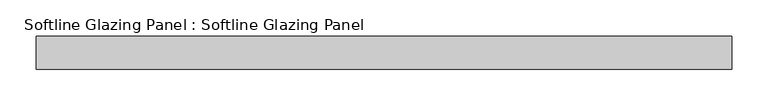
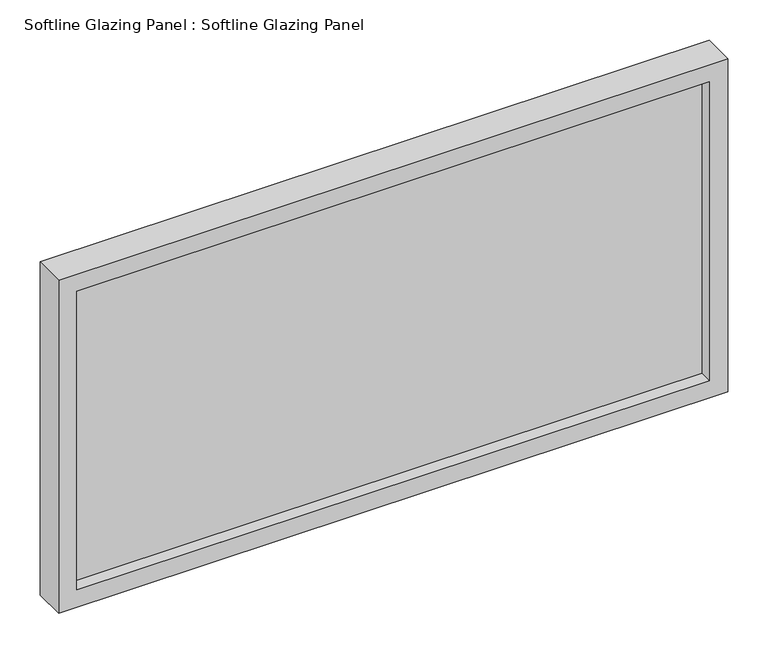
"""IFC4 building model written with IfcOpenShell, lengths in millimetres: plate geometry, Softline Glazing Panel : Softline Glazing Panel."""

from ifc_helpers import new_model, si_unit, frame, origin, place, context, project, spatial, polyline, outline, extrude, faceted_brep, source, transform, mapped, element, save


def softline_glazing_panel_softline_glazing_panel_6ffdb048(model_context):
    return source(origin(), model_context, "Body", "SolidModel", [
        extrude(outline(polyline([(461.0, 4.0), (461.0, -4.0), (-461.0, -4.0), (-461.0, 4.0), (461.0, 4.0)])), frame((0.0, 0.0, 16.0), z_axis=(0.0, 0.0, 1.0), x_axis=(1.0, 0.0, 0.0)), (0.0, 0.0, 1.0), 470.404515),
        faceted_brep([(451.0, 4.0, 26.0), (451.0, 22.5, 26.0), (-451.0, 22.5, 26.0), (-451.0, 4.0, 26.0), (461.0, -4.0, 16.0), (461.0, 4.0, 16.0), (-461.0, 4.0, 16.0), (-461.0, -4.0, 16.0), (451.0, -22.5, 26.0), (451.0, -4.0, 26.0), (-451.0, -4.0, 26.0), (-451.0, -22.5, 26.0), (477.0, 22.5, 0.0), (477.0, -22.5, 0.0), (-477.0, -22.5, 0.0), (-477.0, 22.5, 0.0), (-451.0, 22.5, 476.404515), (-451.0, 4.0, 476.404515), (-461.0, 4.0, 486.404515), (-461.0, -4.0, 486.404515), (-451.0, -4.0, 476.404515), (-451.0, -22.5, 476.404515), (-477.0, -22.5, 502.404515), (-477.0, 22.5, 502.404515), (451.0, 22.5, 476.404515), (451.0, 4.0, 476.404515), (461.0, 4.0, 486.404515), (461.0, -4.0, 486.404515), (451.0, -4.0, 476.404515), (451.0, -22.5, 476.404515), (477.0, -22.5, 502.404515), (477.0, 22.5, 502.404515)], [[[0, 1, 2, 3]], [[4, 5, 6, 7]], [[8, 9, 10, 11]], [[12, 13, 14, 15]], [[3, 2, 16, 17]], [[7, 6, 18, 19]], [[11, 10, 20, 21]], [[15, 14, 22, 23]], [[17, 16, 24, 25]], [[19, 18, 26, 27]], [[21, 20, 28, 29]], [[23, 22, 30, 31]], [[15, 23, 31, 12], [1, 24, 16, 2]], [[25, 24, 1, 0]], [[5, 26, 18, 6], [3, 17, 25, 0]], [[27, 26, 5, 4]], [[7, 19, 27, 4], [9, 28, 20, 10]], [[29, 28, 9, 8]], [[13, 30, 22, 14], [11, 21, 29, 8]], [[31, 30, 13, 12]]]),
    ])


if __name__ == "__main__":
    model = new_model("IFC4")
    model_context = context("Model", 3, world=origin())
    ifc_project = project(units=[si_unit("LENGTHUNIT", "METRE", prefix="MILLI")], contexts=[model_context])
    site = spatial("IfcSite", under=ifc_project)
    building = spatial("IfcBuilding", under=site)
    placement = place(None, origin())
    softline_glazing_panel_softline_glazing_panel_shape = softline_glazing_panel_softline_glazing_panel_6ffdb048(model_context)
    element("IfcPlate", 1, ObjectType="Softline Glazing Panel : Softline Glazing Panel", at=placement, inside=building, context=model_context, shape_type="MappedRepresentation", body=[
        mapped(softline_glazing_panel_softline_glazing_panel_shape, transform((0.0, 0.0, 0.0), x_axis=(1.0, 0.0, 0.0), y_axis=(0.0, 1.0, 0.0), z_axis=(0.0, 0.0, 1.0))),
    ])
    save(model, "model.ifc")
